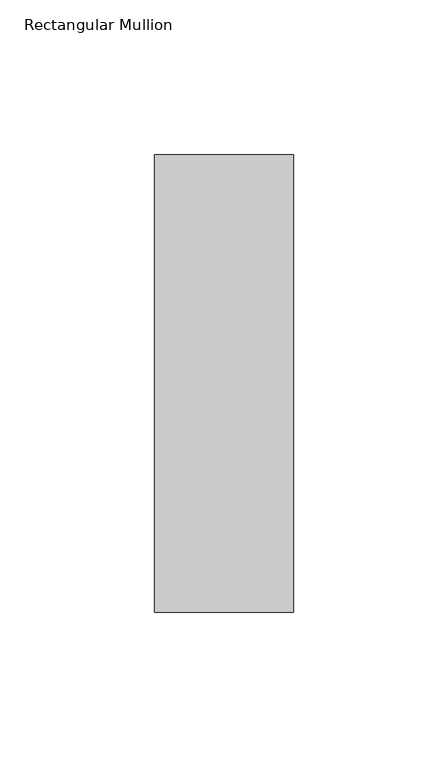
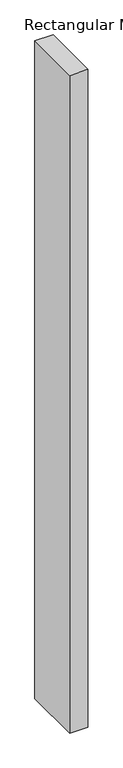
"""IFC4 building model written with IfcOpenShell, lengths in millimetres: member geometry, Rectangular Mullion."""

from ifc_helpers import new_model, si_unit, frame, origin, place, context, project, spatial, polyline, outline, extrude, source, transform, mapped, element, save


def rectangular_mullion_1ef28d66(model_context):
    return source(origin(), model_context, "Body", "SweptSolid", [
        extrude(outline(polyline([(22.5, 102.05), (22.5, -46.05), (-22.5, -46.05), (-22.5, 102.05), (22.5, 102.05)])), frame((0.0, 0.0, -1708.8912252), z_axis=(0.0, 0.0, 1.0), x_axis=(1.0, 0.0, 0.0)), (0.0, 0.0, 1.0), 1708.8912252),
    ])


if __name__ == "__main__":
    model = new_model("IFC4")
    model_context = context("Model", 3, world=origin())
    ifc_project = project(units=[si_unit("LENGTHUNIT", "METRE", prefix="MILLI")], contexts=[model_context])
    site = spatial("IfcSite", under=ifc_project)
    building = spatial("IfcBuilding", under=site)
    placement = place(None, origin())
    rectangular_mullion_shape = rectangular_mullion_1ef28d66(model_context)
    element("IfcMember", 1, ObjectType="Rectangular Mullion", at=placement, inside=building, context=model_context, shape_type="MappedRepresentation", body=[
        mapped(rectangular_mullion_shape, transform((0.0, 0.0, 0.0), x_axis=(1.0, 0.0, 0.0), y_axis=(0.0, 1.0, 0.0), z_axis=(0.0, 0.0, 1.0))),
    ])
    save(model, "model.ifc")
